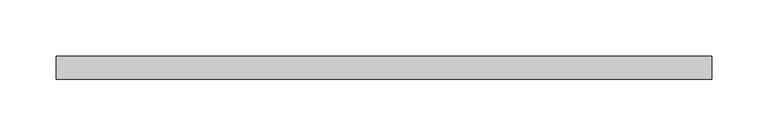
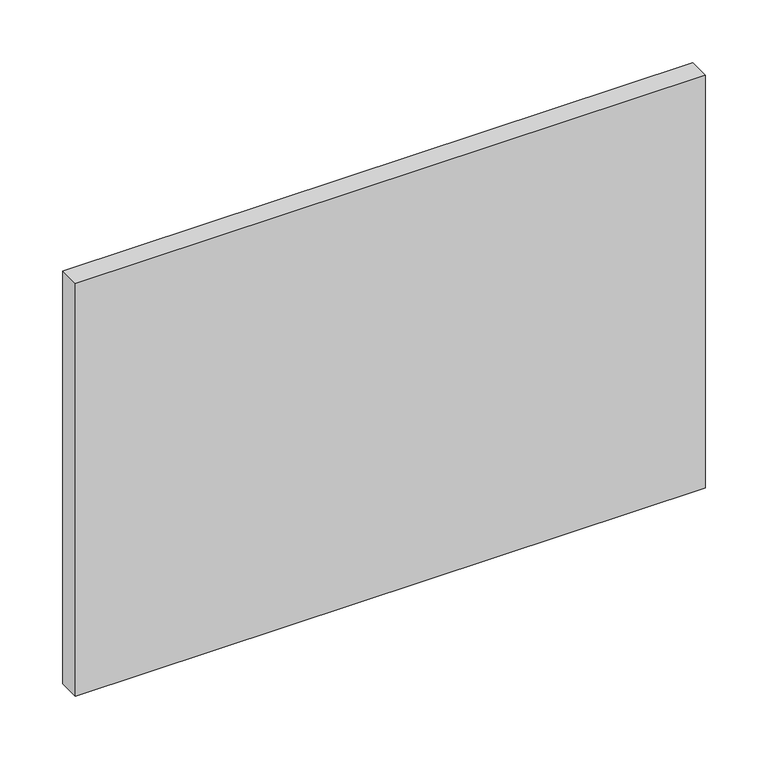
"""IFC4 building model written with IfcOpenShell, lengths in millimetres: plate geometry."""

from ifc_helpers import new_model, si_unit, origin, origin_with_axes, place, context, project, spatial, polyline, outline, extrude, source, transform, mapped, element, save


def plate_ac2b9400(model_context):
    return source(origin(), model_context, "Body", "SweptSolid", [
        extrude(outline(polyline([(290.0, -90.0), (-290.0, -90.0), (-290.0, -70.0), (290.0, -70.0), (290.0, -90.0)])), origin_with_axes(), (0.0, 0.0, 1.0), 401.9310345),
    ])


if __name__ == "__main__":
    model = new_model("IFC4")
    model_context = context("Model", 3, world=origin())
    ifc_project = project(units=[si_unit("LENGTHUNIT", "METRE", prefix="MILLI")], contexts=[model_context])
    site = spatial("IfcSite", under=ifc_project)
    building = spatial("IfcBuilding", under=site)
    placement = place(None, origin())
    plate_shape = plate_ac2b9400(model_context)
    element("IfcPlate", 1, at=placement, inside=building, context=model_context, shape_type="MappedRepresentation", body=[
        mapped(plate_shape, transform((0.0, 0.0, 0.0), x_axis=(1.0, 0.0, 0.0), y_axis=(0.0, 1.0, 0.0), z_axis=(0.0, 0.0, 1.0))),
    ])
    save(model, "model.ifc")
